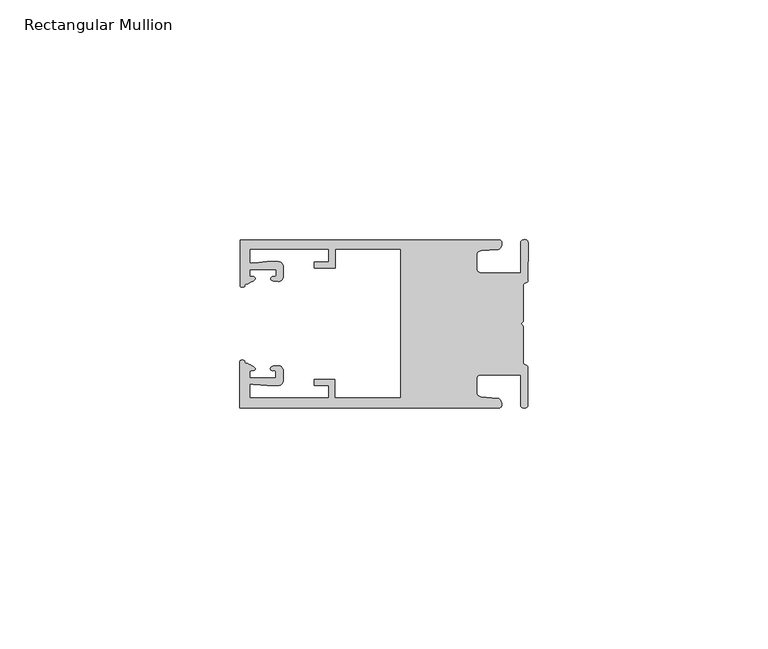
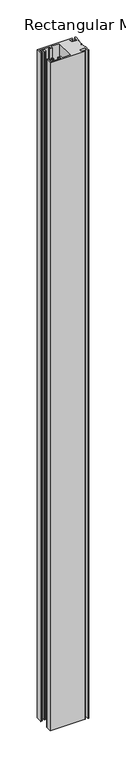
"""IFC4 building model written with IfcOpenShell, lengths in millimetres: member geometry, Rectangular Mullion."""

from ifc_helpers import new_model, si_unit, frame, origin, place, context, project, spatial, circle_curve, source, transform, mapped, element, save
from ifc_brep_helpers import plane_surface, cylinder_surface, extruded_surface, spline_curve, advanced_brep


def rectangular_mullion_52ad376c(model_context):
    return source(origin(), model_context, "Body", "AdvancedBrep", [
        advanced_brep(
        [(-60.0749377, 17.5111528, 0.0), (-60.0749377, 8.0140787, 0.0), (-59.3252567, 7.7187455, 0.0), (-58.4967974, 8.36785, 0.0), (-58.0726619, 10.1173923, 0.0), (-58.0713101, 11.3673916, 0.0), (-52.5713133, 11.3614437, 0.0), (-52.5726651, 10.1114444, 0.0), (-53.1427626, 8.8955539, 0.0), (-52.0740172, 8.8609044, 0.0), (-51.0729364, 9.8598224, 0.0), (-51.0706653, 11.9598211, 0.0), (-52.0700692, 12.9609024, 0.0), (-54.3905105, 12.9622843, 0.0), (-57.1599646, 12.7230061, 0.0), (-58.0696339, 12.9173907, 0.0), (-58.066768, 15.5673891, 0.0), (-41.5667584, 15.5673891, 0.0), (-41.5695894, 12.9495468, 0.0), (-44.5695877, 12.9527912, 0.0), (-44.5709936, 11.6527919, 0.0), (-40.2709961, 11.6481417, 0.0), (-40.2667576, 15.5673891, 0.0), (-26.6002952, 15.5673891, 0.0), (-26.6002952, -15.4518424, 0.0), (-40.3003032, -15.4518424, 0.0), (-40.2960856, -11.5518447, 0.0), (-44.5960831, -11.5471945, 0.0), (-44.597489, -12.8471938, 0.0), (-41.5974907, -12.8504381, 0.0), (-41.6003025, -15.4504366, 0.0), (-58.1002928, -15.4325927, 0.0), (-58.097427, -12.7825943, 0.0), (-57.1873395, -12.5901776, 0.0), (-54.4184094, -12.8354453, 0.0), (-52.0979705, -12.8390822, 0.0), (-51.0964037, -11.8401649, 0.0), (-51.0941327, -9.7401662, 0.0), (-52.0930507, -8.7390853, 0.0), (-53.1618685, -8.7714231, 0.0), (-52.5944022, -9.9885439, 0.0), (-52.595754, -11.2385431, 0.0), (-58.0957508, -11.2325952, 0.0), (-58.094399, -9.9825959, 0.0), (-58.5147494, -8.2321403, 0.0), (-59.3418028, -7.5812455, 0.0), (-60.0921208, -7.8749565, 0.0), (-60.0921208, -17.4888267, 0.0), (-6.1024861, -17.4888267, 0.0), (-6.5218639, -15.488372, 0.0), (-9.8784944, -15.2205466, 0.0), (-10.7989567, -14.2226333, 0.0), (-10.7961029, -11.5837474, 0.0), (-9.8734844, -10.5878272, 0.0), (-1.5950266, -10.5934991, 0.0), (-1.601948, -16.9936935, 0.0), (-0.1017194, -16.7830581, 0.0), (-0.0933208, -9.0170082, 0.0), (-1.0923837, -8.1499018, 0.0), (-1.0842165, -0.5977972, 0.0), (-1.0829111, 0.6093089, 0.0), (-1.0747439, 8.1614135, 0.0), (-0.0738079, 9.026357, 0.0), (-0.0654093, 16.7924069, 0.0), (-1.5651789, 17.0062866, 0.0), (-1.5651789, 10.6183257, 0.0), (-9.8505511, 10.6183257, 0.0), (-10.7710133, 11.6162391, 0.0), (-10.7681595, 14.255125, 0.0), (-9.845541, 15.2510452, 0.0), (-6.4883391, 15.5116099, 0.0), (-6.0646356, 17.5111528, 0.0), (-60.0749377, 17.5111528, -1098.2039999), (-6.0646356, 17.5111528, -1098.2039999), (-6.4883391, 15.5116099, -1098.2039999), (-9.845541, 15.2510452, -1098.2039999), (-10.7681595, 14.255125, -1098.2039999), (-10.7710133, 11.6162391, -1098.2039999), (-9.8505511, 10.6183257, -1098.2039999), (-1.5651789, 10.6183257, -1098.2039999), (-1.5651789, 17.0062866, -1098.2039999), (-0.0654093, 16.7924069, -1098.2039999), (-0.0738079, 9.026357, -1098.2039999), (-1.0747439, 8.1614135, -1098.2039999), (-1.0829111, 0.6093089, -1098.2039999), (-1.0842165, -0.5977972, -1098.2039999), (-1.0923837, -8.1499018, -1098.2039999), (-0.0933208, -9.0170082, -1098.2039999), (-0.1017194, -16.7830581, -1098.2039999), (-1.601948, -16.9936935, -1098.2039999), (-1.5950266, -10.5934991, -1098.2039999), (-9.8734844, -10.5878272, -1098.2039999), (-10.7961029, -11.5837474, -1098.2039999), (-10.7989567, -14.2226333, -1098.2039999), (-9.8784944, -15.2205466, -1098.2039999), (-6.5218639, -15.488372, -1098.2039999), (-6.1024861, -17.4888267, -1098.2039999), (-60.0921208, -17.4888267, -1098.2039999), (-60.0921208, -7.8749565, -1098.2039999), (-59.3418028, -7.5812455, -1098.2039999), (-58.5147494, -8.2321403, -1098.2039999), (-58.094399, -9.9825959, -1098.2039999), (-58.0957508, -11.2325952, -1098.2039999), (-52.595754, -11.2385431, -1098.2039999), (-52.5944022, -9.9885439, -1098.2039999), (-53.1618685, -8.7714231, -1098.2039999), (-52.0930507, -8.7390853, -1098.2039999), (-51.0941327, -9.7401662, -1098.2039999), (-51.0964037, -11.8401649, -1098.2039999), (-52.0979705, -12.8390823, -1098.2039999), (-54.4184094, -12.8354453, -1098.2039999), (-57.1873395, -12.5901776, -1098.2039999), (-58.097427, -12.7825943, -1098.2039999), (-58.1002928, -15.4325927, -1098.2039999), (-41.6003025, -15.4504366, -1098.2039999), (-41.5974907, -12.8504381, -1098.2039999), (-44.597489, -12.8471938, -1098.2039999), (-44.5960831, -11.5471945, -1098.2039999), (-40.2960856, -11.5518447, -1098.2039999), (-40.3003032, -15.4518424, -1098.2039999), (-26.6002952, -15.4518424, -1098.2039999), (-26.6002952, 15.5673891, -1098.2039999), (-40.2667576, 15.5673891, -1098.2039999), (-40.2709961, 11.6481417, -1098.2039999), (-44.5709936, 11.6527919, -1098.2039999), (-44.5695877, 12.9527912, -1098.2039999), (-41.5695894, 12.9495468, -1098.2039999), (-41.5667584, 15.5673891, -1098.2039999), (-58.066768, 15.5673891, -1098.2039999), (-58.0696339, 12.9173907, -1098.2039999), (-57.1599646, 12.7230061, -1098.2039999), (-54.3905105, 12.9622843, -1098.2039999), (-52.0700692, 12.9609023, -1098.2039999), (-51.0706653, 11.9598211, -1098.2039999), (-51.0729364, 9.8598224, -1098.2039999), (-52.0740172, 8.8609044, -1098.2039999), (-53.1427626, 8.8955539, -1098.2039999), (-52.5726651, 10.1114444, -1098.2039999), (-52.5713133, 11.3614437, -1098.2039999), (-58.0713101, 11.3673916, -1098.2039999), (-58.0726619, 10.1173923, -1098.2039999), (-58.4967974, 8.36785, -1098.2039999), (-59.3252567, 7.7187455, -1098.2039999), (-60.0749377, 8.0140787, -1098.2039999)],
        [
            (0, 1),
            (1, 2, spline_curve(3, [(-60.0749377, 8.0140787, 0.0), (-60.075233123, 7.740904774, 0.0), (-59.825339491, 7.642460332, 0.0), (-59.3252567, 7.7187455, 0.0)], [4, 4], [0.0, 0.0019169337574178654])),
            (2, 3, spline_curve(3, [(-59.3252567, 7.7187455, 0.0), (-59.094460914, 7.75918372, 0.0), (-59.054835463, 7.902257199, 0.0), (-59.05559987, 8.233305614, 0.0), (-59.138729113, 8.4134359, 0.0), (-58.4967974, 8.36785, 0.0)], [4, 2, 4], [0.0, 0.0010199524164107188, 0.0024874514725970356])),
            (3, 4, spline_curve(3, [(-58.4967974, 8.36785, 0.0), (-57.022393378, 9.053435667, 0.0), (-56.827266887, 9.364828726, 0.0), (-56.982213078, 9.742623404, 0.0), (-57.177375211, 9.855581791, 0.0), (-57.697928101, 9.887955071, 0.0), (-57.997449153, 9.835475348, 0.0), (-58.0726619, 10.1173923, 0.0)], [4, 2, 2, 4], [0.0, 0.003269869179570428, 0.005490050486237203, 0.0073545767114364426])),
            (4, 5),
            (5, 6),
            (6, 7),
            (7, 8, spline_curve(3, [(-52.5726651, 10.1114444, 0.0), (-52.667195519, 9.760172042, 0.0), (-52.937094388, 9.861877724, 0.0), (-53.356237032, 9.895631753, 0.0), (-53.491940439, 9.811038713, 0.0), (-53.761900775, 9.511438033, 0.0), (-53.892893546, 9.278787104, 0.0), (-53.1427626, 8.8955539, 0.0)], [4, 2, 2, 4], [0.0, 0.001593963049934732, 0.0033360256320283306, 0.005339140673503943])),
            (8, 9),
            (9, 10, circle_curve(frame((-52.0729358, 9.8609038, 0.0), z_axis=(0.0, 0.0, 1.0), x_axis=(-0.0010814451158600304, -0.9999994152380598, 0.0)), 1.0)),
            (10, 11),
            (11, 12, circle_curve(frame((-52.0706647, 11.9609026, 0.0), z_axis=(0.0, 0.0, 1.0), x_axis=(-0.0010814451158600304, -0.9999994152380598, 0.0)), 1.0)),
            (12, 13),
            (13, 14),
            (14, 15, spline_curve(3, [(-57.1599646, 12.7230061, 0.0), (-57.631533854, 12.682262968, 0.0), (-58.018602985, 12.477800124, 0.0), (-58.0696339, 12.9173907, 0.0)], [4, 4], [0.0, 0.0014803385355886016])),
            (15, 16),
            (16, 17),
            (17, 18),
            (18, 19),
            (19, 20),
            (20, 21),
            (21, 22),
            (22, 23),
            (23, 24),
            (24, 25),
            (25, 26),
            (26, 27),
            (27, 28),
            (28, 29),
            (29, 30),
            (30, 31),
            (31, 32),
            (32, 33, spline_curve(3, [(-58.097427, -12.7825943, 0.0), (-58.045445419, -12.343115126, 0.0), (-57.658819528, -12.548414611, 0.0), (-57.1873395, -12.5901776, 0.0)], [4, 4], [0.0, 0.0014803385355886016])),
            (33, 34),
            (34, 35),
            (35, 36, circle_curve(frame((-52.0964031, -11.8390835, 0.0), z_axis=(0.0, 0.0, 1.0), x_axis=(0.0010814451158600304, 0.9999994152380598, 0.0)), 1.0)),
            (36, 37),
            (37, 38, circle_curve(frame((-52.0941321, -9.7390847, 0.0), z_axis=(0.0, 0.0, 1.0), x_axis=(0.0010814451158600304, 0.9999994152380598, 0.0)), 1.0)),
            (38, 39),
            (39, 40, spline_curve(3, [(-53.1618685, -8.7714231, 0.0), (-53.912826582, -9.153032958, 0.0), (-53.782337352, -9.385966711, 0.0), (-53.51302565, -9.686150585, 0.0), (-53.377505444, -9.771037009, 0.0), (-52.958290774, -9.738189618, 0.0), (-52.688172635, -9.637067904, 0.0), (-52.5944022, -9.9885439, 0.0)], [4, 2, 2, 4], [0.0, 0.002003115041475612, 0.0037451776235692107, 0.005339140673503943])),
            (40, 41),
            (41, 42),
            (42, 43),
            (43, 44, spline_curve(3, [(-58.094399, -9.9825959, 0.0), (-58.018576674, -9.700842284, 0.0), (-57.719169706, -9.753969703, 0.0), (-57.198548014, -9.722722397, 0.0), (-57.003142178, -9.61018632, 0.0), (-56.847379222, -9.232727657, 0.0), (-57.041831673, -8.920913336, 0.0), (-58.5147494, -8.2321403, 0.0)], [4, 2, 2, 4], [0.0, 0.0018645262251992395, 0.004084707531866015, 0.0073545767114364426])),
            (44, 45, spline_curve(3, [(-58.5147494, -8.2321403, 0.0), (-59.156778208, -8.276337666, 0.0), (-59.073259494, -8.096387681, 0.0), (-59.071779067, -7.765341694, 0.0), (-59.111095017, -7.622182811, 0.0), (-59.3418028, -7.5812455, 0.0)], [4, 2, 4], [0.0, 0.0014674990561863168, 0.0024874514725970356])),
            (45, 46, spline_curve(3, [(-59.3418028, -7.5812455, 0.0), (-59.841719425, -7.503878887, 0.0), (-60.091825377, -7.601782574, 0.0), (-60.0921208, -7.8749565, 0.0)], [4, 4], [0.0, 0.0019169337574178654])),
            (46, 47),
            (47, 48),
            (48, 49, spline_curve(3, [(-6.1024861, -17.4888267, 0.0), (-5.074532184, -17.418062188, 0.0), (-5.631140689, -15.411414367, 0.0), (-6.5218639, -15.488372, 0.0)], [4, 4], [0.0, 0.0043819361547461745])),
            (49, 50),
            (50, 51, spline_curve(3, [(-9.8784944, -15.2205466, 0.0), (-10.440691543, -15.150698463, 0.0), (-10.74751234, -14.818060727, 0.0), (-10.7989567, -14.2226333, 0.0)], [4, 4], [0.0, 0.0028645797420738927])),
            (51, 52),
            (52, 53, spline_curve(3, [(-10.7961029, -11.5837474, 0.0), (-10.743370817, -10.988432634, 0.0), (-10.435831301, -10.656459204, 0.0), (-9.8734844, -10.5878272, 0.0)], [4, 4], [0.0, 0.0028645797420738927])),
            (53, 54),
            (54, 55),
            (55, 56, spline_curve(3, [(-1.601948, -16.9936935, 0.0), (-1.655676874, -17.600261454, 0.0), (-0.043737403, -17.912795581, 0.0), (-0.1017194, -16.7830581, 0.0)], [4, 4], [0.0, 0.0036987374396357936])),
            (56, 57),
            (57, 58, spline_curve(3, [(-0.0933208, -9.0170082, 0.0), (-0.018818183, -8.695886697, 0.0), (-1.193434327, -8.459763043, 0.0), (-1.0923837, -8.1499018, 0.0)], [4, 4], [0.0, 0.002027216749630121])),
            (58, 59),
            (59, 60, spline_curve(3, [(-1.0842165, -0.5977972, 0.0), (-1.013223198, -0.445980437, 0.0), (-1.487945123, -0.206736825, 0.0), (-1.487409651, 0.231097965, 0.0), (-0.999110985, 0.429090391, 0.0), (-1.0829111, 0.6093089, 0.0)], [4, 2, 4], [0.0, 0.00249866671847065, 0.005031402919736269])),
            (60, 61),
            (61, 62, spline_curve(3, [(-1.0747439, 8.1614135, 0.0), (-1.175124095, 8.47149258, 0.0), (-7e-09, 8.705075107, 0.0), (-0.0738079, 9.026357, 0.0)], [4, 4], [0.0, 0.002027216749630121])),
            (62, 63),
            (63, 64, spline_curve(3, [(-0.0654093, 16.7924069, 0.0), (-0.004983942, 17.92201633, 0.0), (-1.617595709, 17.612969344, 0.0), (-1.5651789, 17.0062866, 0.0)], [4, 4], [0.0, 0.0036987374396357936])),
            (64, 65),
            (65, 66),
            (66, 67, spline_curve(3, [(-9.8505511, 10.6183257, 0.0), (-10.412748243, 10.688173837, 0.0), (-10.71956894, 11.020811673, 0.0), (-10.7710133, 11.6162391, 0.0)], [4, 4], [0.0, 0.0028645797420738927])),
            (67, 68),
            (68, 69, spline_curve(3, [(-10.7681595, 14.255125, 0.0), (-10.715427417, 14.850439766, 0.0), (-10.407887901, 15.182413196, 0.0), (-9.845541, 15.2510452, 0.0)], [4, 4], [0.0, 0.0028645797420738927])),
            (69, 70),
            (70, 71, spline_curve(3, [(-6.4883391, 15.5116099, 0.0), (-5.597784423, 15.432725911, 0.0), (-5.036837144, 17.438165103, 0.0), (-6.0646356, 17.5111528, 0.0)], [4, 4], [0.0, 0.0043819361547461745])),
            (71, 0),
            (72, 73),
            (73, 74, spline_curve(3, [(-6.0646356, 17.5111528, -1098.2039999), (-5.036837144, 17.438165103, -1098.2039999), (-5.597784423, 15.432725911, -1098.2039999), (-6.4883391, 15.5116099, -1098.2039999)], [4, 4], [0.0, 0.0043819361547461745])),
            (74, 75),
            (75, 76, spline_curve(3, [(-9.845541, 15.2510452, -1098.2039999), (-10.407887901, 15.182413196, -1098.2039999), (-10.715427417, 14.850439766, -1098.2039999), (-10.7681595, 14.255125, -1098.2039999)], [4, 4], [0.0, 0.0028645797420738927])),
            (76, 77),
            (77, 78, spline_curve(3, [(-10.7710133, 11.6162391, -1098.2039999), (-10.71956894, 11.020811673, -1098.2039999), (-10.412748243, 10.688173837, -1098.2039999), (-9.8505511, 10.6183257, -1098.2039999)], [4, 4], [0.0, 0.0028645797420738927])),
            (78, 79),
            (79, 80),
            (80, 81, spline_curve(3, [(-1.5651789, 17.0062866, -1098.2039999), (-1.617595709, 17.612969344, -1098.2039999), (-0.004983942, 17.92201633, -1098.2039999), (-0.0654093, 16.7924069, -1098.2039999)], [4, 4], [0.0, 0.0036987374396357936])),
            (81, 82),
            (82, 83, spline_curve(3, [(-0.0738079, 9.026357, -1098.2039999), (-7e-09, 8.705075107, -1098.2039999), (-1.175124095, 8.47149258, -1098.2039999), (-1.0747439, 8.1614135, -1098.2039999)], [4, 4], [0.0, 0.002027216749630121])),
            (83, 84),
            (84, 85, spline_curve(3, [(-1.0829111, 0.6093089, -1098.2039999), (-0.999110985, 0.429090391, -1098.2039999), (-1.487409651, 0.231097965, -1098.2039999), (-1.487945123, -0.206736825, -1098.2039999), (-1.013223198, -0.445980437, -1098.2039999), (-1.0842165, -0.5977972, -1098.2039999)], [4, 2, 4], [0.0, 0.002532736201265619, 0.005031402919736269])),
            (85, 86),
            (86, 87, spline_curve(3, [(-1.0923837, -8.1499018, -1098.2039999), (-1.193434327, -8.459763043, -1098.2039999), (-0.018818183, -8.695886697, -1098.2039999), (-0.0933208, -9.0170082, -1098.2039999)], [4, 4], [0.0, 0.002027216749630121])),
            (87, 88),
            (88, 89, spline_curve(3, [(-0.1017194, -16.7830581, -1098.2039999), (-0.043737403, -17.912795581, -1098.2039999), (-1.655676874, -17.600261454, -1098.2039999), (-1.601948, -16.9936935, -1098.2039999)], [4, 4], [0.0, 0.0036987374396357936])),
            (89, 90),
            (90, 91),
            (91, 92, spline_curve(3, [(-9.8734844, -10.5878272, -1098.2039999), (-10.435831301, -10.656459204, -1098.2039999), (-10.743370817, -10.988432634, -1098.2039999), (-10.7961029, -11.5837474, -1098.2039999)], [4, 4], [0.0, 0.0028645797420738927])),
            (92, 93),
            (93, 94, spline_curve(3, [(-10.7989567, -14.2226333, -1098.2039999), (-10.74751234, -14.818060727, -1098.2039999), (-10.440691543, -15.150698463, -1098.2039999), (-9.8784944, -15.2205466, -1098.2039999)], [4, 4], [0.0, 0.0028645797420738927])),
            (94, 95),
            (95, 96, spline_curve(3, [(-6.5218639, -15.488372, -1098.2039999), (-5.631140689, -15.411414367, -1098.2039999), (-5.074532184, -17.418062188, -1098.2039999), (-6.1024861, -17.4888267, -1098.2039999)], [4, 4], [0.0, 0.0043819361547461745])),
            (96, 97),
            (97, 98),
            (98, 99, spline_curve(3, [(-60.0921208, -7.8749565, -1098.2039999), (-60.091825377, -7.601782574, -1098.2039999), (-59.841719425, -7.503878887, -1098.2039999), (-59.3418028, -7.5812455, -1098.2039999)], [4, 4], [0.0, 0.0019169337574178654])),
            (99, 100, spline_curve(3, [(-59.3418028, -7.5812455, -1098.2039999), (-59.111095017, -7.622182811, -1098.2039999), (-59.071779067, -7.765341694, -1098.2039999), (-59.073259494, -8.096387681, -1098.2039999), (-59.156778208, -8.276337666, -1098.2039999), (-58.5147494, -8.2321403, -1098.2039999)], [4, 2, 4], [0.0, 0.0010199524164107188, 0.0024874514725970356])),
            (100, 101, spline_curve(3, [(-58.5147494, -8.2321403, -1098.2039999), (-57.041831673, -8.920913336, -1098.2039999), (-56.847379222, -9.232727657, -1098.2039999), (-57.003142178, -9.61018632, -1098.2039999), (-57.198548014, -9.722722397, -1098.2039999), (-57.719169706, -9.753969703, -1098.2039999), (-58.018576674, -9.700842284, -1098.2039999), (-58.094399, -9.9825959, -1098.2039999)], [4, 2, 2, 4], [0.0, 0.003269869179570428, 0.005490050486237203, 0.0073545767114364426])),
            (101, 102),
            (102, 103),
            (103, 104),
            (104, 105, spline_curve(3, [(-52.5944022, -9.9885439, -1098.2039999), (-52.688172635, -9.637067904, -1098.2039999), (-52.958290774, -9.738189618, -1098.2039999), (-53.377505444, -9.771037009, -1098.2039999), (-53.51302565, -9.686150585, -1098.2039999), (-53.782337352, -9.385966711, -1098.2039999), (-53.912826582, -9.153032958, -1098.2039999), (-53.1618685, -8.7714231, -1098.2039999)], [4, 2, 2, 4], [0.0, 0.001593963049934732, 0.0033360256320283306, 0.005339140673503943])),
            (105, 106),
            (106, 107, circle_curve(frame((-52.0941321, -9.7390847, -1098.2039999), z_axis=(0.0, 0.0, -1.0), x_axis=(0.0010814451158600304, 0.9999994152380598, 0.0)), 1.0)),
            (107, 108),
            (108, 109, circle_curve(frame((-52.0964031, -11.8390835, -1098.2039999), z_axis=(0.0, 0.0, -1.0), x_axis=(0.0010814451158600304, 0.9999994152380598, 0.0)), 1.0)),
            (109, 110),
            (110, 111),
            (111, 112, spline_curve(3, [(-57.1873395, -12.5901776, -1098.2039999), (-57.658819528, -12.548414611, -1098.2039999), (-58.045445419, -12.343115126, -1098.2039999), (-58.097427, -12.7825943, -1098.2039999)], [4, 4], [0.0, 0.0014803385355886016])),
            (112, 113),
            (113, 114),
            (114, 115),
            (115, 116),
            (116, 117),
            (117, 118),
            (118, 119),
            (119, 120),
            (120, 121),
            (121, 122),
            (122, 123),
            (123, 124),
            (124, 125),
            (125, 126),
            (126, 127),
            (127, 128),
            (128, 129),
            (129, 130, spline_curve(3, [(-58.0696339, 12.9173907, -1098.2039999), (-58.018602985, 12.477800124, -1098.2039999), (-57.631533854, 12.682262968, -1098.2039999), (-57.1599646, 12.7230061, -1098.2039999)], [4, 4], [0.0, 0.0014803385355886016])),
            (130, 131),
            (131, 132),
            (132, 133, circle_curve(frame((-52.0706647, 11.9609026, -1098.2039999), z_axis=(0.0, 0.0, -1.0), x_axis=(-0.0010814451158600304, -0.9999994152380598, 0.0)), 1.0)),
            (133, 134),
            (134, 135, circle_curve(frame((-52.0729358, 9.8609038, -1098.2039999), z_axis=(0.0, 0.0, -1.0), x_axis=(-0.0010814451158600304, -0.9999994152380598, 0.0)), 1.0)),
            (135, 136),
            (136, 137, spline_curve(3, [(-53.1427626, 8.8955539, -1098.2039999), (-53.892893546, 9.278787104, -1098.2039999), (-53.761900775, 9.511438033, -1098.2039999), (-53.491940439, 9.811038713, -1098.2039999), (-53.356237032, 9.895631753, -1098.2039999), (-52.937094388, 9.861877724, -1098.2039999), (-52.667195519, 9.760172042, -1098.2039999), (-52.5726651, 10.1114444, -1098.2039999)], [4, 2, 2, 4], [0.0, 0.002003115041475612, 0.0037451776235692107, 0.005339140673503943])),
            (137, 138),
            (138, 139),
            (139, 140),
            (140, 141, spline_curve(3, [(-58.0726619, 10.1173923, -1098.2039999), (-57.997449153, 9.835475348, -1098.2039999), (-57.697928101, 9.887955071, -1098.2039999), (-57.177375211, 9.855581791, -1098.2039999), (-56.982213078, 9.742623404, -1098.2039999), (-56.827266887, 9.364828726, -1098.2039999), (-57.022393378, 9.053435667, -1098.2039999), (-58.4967974, 8.36785, -1098.2039999)], [4, 2, 2, 4], [0.0, 0.0018645262251992395, 0.004084707531866015, 0.0073545767114364426])),
            (141, 142, spline_curve(3, [(-58.4967974, 8.36785, -1098.2039999), (-59.138729113, 8.4134359, -1098.2039999), (-59.05559987, 8.233305614, -1098.2039999), (-59.054835463, 7.902257199, -1098.2039999), (-59.094460914, 7.75918372, -1098.2039999), (-59.3252567, 7.7187455, -1098.2039999)], [4, 2, 4], [0.0, 0.0014674990561863168, 0.0024874514725970356])),
            (142, 143, spline_curve(3, [(-59.3252567, 7.7187455, -1098.2039999), (-59.825339491, 7.642460332, -1098.2039999), (-60.075233123, 7.740904774, -1098.2039999), (-60.0749377, 8.0140787, -1098.2039999)], [4, 4], [0.0, 0.0019169337574178654])),
            (143, 72),
            (0, 72),
            (143, 1),
            (142, 2),
            (141, 3),
            (140, 4),
            (139, 5),
            (138, 6),
            (137, 7),
            (136, 8),
            (135, 9),
            (134, 10),
            (133, 11),
            (132, 12),
            (131, 13),
            (130, 14),
            (129, 15),
            (128, 16),
            (127, 17),
            (126, 18),
            (125, 19),
            (124, 20),
            (123, 21),
            (122, 22),
            (121, 23),
            (120, 24),
            (119, 25),
            (118, 26),
            (117, 27),
            (116, 28),
            (115, 29),
            (114, 30),
            (113, 31),
            (112, 32),
            (111, 33),
            (110, 34),
            (109, 35),
            (108, 36),
            (107, 37),
            (106, 38),
            (105, 39),
            (104, 40),
            (103, 41),
            (102, 42),
            (101, 43),
            (100, 44),
            (99, 45),
            (98, 46),
            (97, 47),
            (96, 48),
            (95, 49),
            (94, 50),
            (93, 51),
            (92, 52),
            (91, 53),
            (90, 54),
            (89, 55),
            (88, 56),
            (87, 57),
            (86, 58),
            (85, 59),
            (84, 60),
            (83, 61),
            (82, 62),
            (81, 63),
            (80, 64),
            (79, 65),
            (78, 66),
            (77, 67),
            (76, 68),
            (75, 69),
            (74, 70),
            (73, 71),
        ],
        [
            plane_surface(frame((0.0, -62.5853181, 0.0), z_axis=(0.0, 0.0, 1.0), x_axis=(-1.0, 0.0, 0.0))),
            plane_surface(frame((0.0, -62.5853181, -1098.2039999), z_axis=(0.0, 0.0, -1.0), x_axis=(-1.0, 0.0, 0.0))),
            plane_surface(frame((-60.0749377, 17.5111528, 0.0), z_axis=(-1.0, 0.0, 0.0), x_axis=(0.0, 0.0, -1.0))),
            extruded_surface(spline_curve(3, [(-60.0749377, 8.0140787, -1098.2039999), (-60.075233123, 7.740904774, -1098.2039999), (-59.825339491, 7.642460332, -1098.2039999), (-59.3252567, 7.7187455, -1098.2039999)], [4, 4], [0.0, 0.0019169337574178654]), (0.0, 0.0, 1098.2039999), 1098.2039999),
            extruded_surface(spline_curve(3, [(-59.3252567, 7.7187455, -1098.2039999), (-59.094460914, 7.75918372, -1098.2039999), (-59.054835463, 7.902257199, -1098.2039999), (-59.05559987, 8.233305614, -1098.2039999), (-59.138729113, 8.4134359, -1098.2039999), (-58.4967974, 8.36785, -1098.2039999)], [4, 2, 4], [0.0, 0.0010199524164107188, 0.0024874514725970356]), (0.0, 0.0, 1098.2039999), 1098.2039999),
            extruded_surface(spline_curve(3, [(-58.4967974, 8.36785, -1098.2039999), (-57.022393378, 9.053435667, -1098.2039999), (-56.827266887, 9.364828726, -1098.2039999), (-56.982213078, 9.742623404, -1098.2039999), (-57.177375211, 9.855581791, -1098.2039999), (-57.697928101, 9.887955071, -1098.2039999), (-57.997449153, 9.835475348, -1098.2039999), (-58.0726619, 10.1173923, -1098.2039999)], [4, 2, 2, 4], [0.0, 0.003269869179570428, 0.005490050486237203, 0.0073545767114364426]), (0.0, 0.0, 1098.2039999), 1098.2039999),
            plane_surface(frame((-58.0726619, 10.1173923, 0.0), z_axis=(0.9999994152380598, -0.0010814451158634145, 0.0), x_axis=(0.0, 0.0, -1.0))),
            plane_surface(frame((-58.0713101, 11.3673916, 0.0), z_axis=(-0.0010814451158616418, -0.9999994152380598, 0.0), x_axis=(0.0, 0.0, -1.0))),
            plane_surface(frame((-52.5713133, 11.3614437, 0.0), z_axis=(-0.9999994152380598, 0.0010814451158643293, 0.0), x_axis=(0.0, 0.0, -1.0))),
            extruded_surface(spline_curve(3, [(-52.5726651, 10.1114444, -1098.2039999), (-52.667195519, 9.760172042, -1098.2039999), (-52.937094388, 9.861877724, -1098.2039999), (-53.356237032, 9.895631753, -1098.2039999), (-53.491940439, 9.811038713, -1098.2039999), (-53.761900775, 9.511438033, -1098.2039999), (-53.892893546, 9.278787104, -1098.2039999), (-53.1427626, 8.8955539, -1098.2039999)], [4, 2, 2, 4], [0.0, 0.001593963049934732, 0.0033360256320283306, 0.005339140673503943]), (0.0, 0.0, 1098.2039999), 1098.2039999),
            plane_surface(frame((-53.1427626, 8.8955539, 0.0), z_axis=(-0.032403661401520414, -0.9994748634797054, 0.0), x_axis=(0.0, 0.0, -1.0))),
            cylinder_surface(frame((-52.0729358, 9.8609038, 0.0), z_axis=(0.0, 0.0, 1.0000000000000002), x_axis=(-0.0010814451158600304, -0.9999994152380598, 0.0)), 1.0),
            plane_surface(frame((-51.0729364, 9.8598224, 0.0), z_axis=(0.9999994152380598, -0.001081445115864059, 0.0), x_axis=(0.0, 0.0, -1.0))),
            cylinder_surface(frame((-52.0706647, 11.9609026, 0.0), z_axis=(0.0, 0.0, 1.0000000000000002), x_axis=(-0.0010814451158600304, -0.9999994152380598, 0.0)), 1.0),
            plane_surface(frame((-52.0700692, 12.9609023, 0.0), z_axis=(0.0005955716436318007, 0.999999822647193, 0.0), x_axis=(0.0, 0.0, -1.0))),
            plane_surface(frame((-54.3905105, 12.9622843, 0.0), z_axis=(-0.08607836189159865, 0.9962883697073147, 0.0), x_axis=(0.0, 0.0, -1.0))),
            extruded_surface(spline_curve(3, [(-57.1599646, 12.7230061, -1098.2039999), (-57.631533854, 12.682262968, -1098.2039999), (-58.018602985, 12.477800124, -1098.2039999), (-58.0696339, 12.9173907, -1098.2039999)], [4, 4], [0.0, 0.0014803385355886016]), (0.0, 0.0, 1098.2039999), 1098.2039999),
            plane_surface(frame((-58.0696339, 12.9173907, 0.0), z_axis=(0.9999994152380598, -0.0010814451158629996, 0.0), x_axis=(0.0, 0.0, -1.0))),
            plane_surface(frame((-58.066768, 15.5673891, 0.0), z_axis=(0.0, -1.0, 0.0), x_axis=(0.0, 0.0, -1.0))),
            plane_surface(frame((-41.5667584, 15.5673891, 0.0), z_axis=(-0.9999994152380598, 0.0010814451158636304, 0.0), x_axis=(0.0, 0.0, -1.0))),
            plane_surface(frame((-41.5695894, 12.9495468, 0.0), z_axis=(0.0010814451158615687, 0.9999994152380598, 0.0), x_axis=(0.0, 0.0, -1.0))),
            plane_surface(frame((-44.5695877, 12.9527912, 0.0), z_axis=(-0.9999994152380598, 0.0010814451158626742, 0.0), x_axis=(0.0, 0.0, -1.0))),
            plane_surface(frame((-44.5709936, 11.6527919, 0.0), z_axis=(-0.001081445115861604, -0.9999994152380598, 0.0), x_axis=(0.0, 0.0, -1.0))),
            plane_surface(frame((-40.2709961, 11.6481417, 0.0), z_axis=(0.9999994152380598, -0.001081445115863507, 0.0), x_axis=(0.0, 0.0, -1.0))),
            plane_surface(frame((-40.2667576, 15.5673891, 0.0), z_axis=(0.0, -1.0, 0.0), x_axis=(0.0, 0.0, -1.0))),
            plane_surface(frame((-26.6002952, 15.5673891, 0.0), z_axis=(-1.0, 0.0, 0.0), x_axis=(0.0, 0.0, -1.0))),
            plane_surface(frame((-26.6002952, -15.4518424, 0.0), z_axis=(0.0, 1.0, 0.0), x_axis=(0.0, 0.0, -1.0))),
            plane_surface(frame((-40.3003032, -15.4518424, 0.0), z_axis=(0.9999994152380598, -0.0010814451158565538, 0.0), x_axis=(0.0, 0.0, -1.0))),
            plane_surface(frame((-40.2960856, -11.5518447, 0.0), z_axis=(0.0010814451158584568, 0.9999994152380598, 0.0), x_axis=(0.0, 0.0, -1.0))),
            plane_surface(frame((-44.5960831, -11.5471945, 0.0), z_axis=(-0.9999994152380598, 0.0010814451158573867, 0.0), x_axis=(0.0, 0.0, -1.0))),
            plane_surface(frame((-44.597489, -12.8471938, 0.0), z_axis=(-0.0010814451158584922, -0.9999994152380598, 0.0), x_axis=(0.0, 0.0, -1.0))),
            plane_surface(frame((-41.5974907, -12.8504381, 0.0), z_axis=(-0.9999994152380598, 0.0010814451158564305, 0.0), x_axis=(0.0, 0.0, -1.0))),
            plane_surface(frame((-41.6003025, -15.4504366, 0.0), z_axis=(0.0010814451158583872, 0.9999994152380598, 0.0), x_axis=(0.0, 0.0, -1.0))),
            plane_surface(frame((-58.1002928, -15.4325927, 0.0), z_axis=(0.9999994152380598, -0.0010814451158570612, 0.0), x_axis=(0.0, 0.0, -1.0))),
            extruded_surface(spline_curve(3, [(-58.097427, -12.7825943, -1098.2039999), (-58.045445419, -12.343115126, -1098.2039999), (-57.658819528, -12.548414611, -1098.2039999), (-57.1873395, -12.5901776, -1098.2039999)], [4, 4], [0.0, 0.0014803385355886016]), (0.0, 0.0, 1098.2039999), 1098.2039999),
            plane_surface(frame((-57.1873395, -12.5901776, 0.0), z_axis=(-0.0882330216729926, -0.9960998614026876, 0.0), x_axis=(0.0, 0.0, -1.0))),
            plane_surface(frame((-54.4184094, -12.8354453, 0.0), z_axis=(-0.0015673183327880543, -0.9999987717558677, 0.0), x_axis=(0.0, 0.0, -1.0))),
            cylinder_surface(frame((-52.0964031, -11.8390835, 0.0), z_axis=(0.0, 0.0, 1.0000000000000002), x_axis=(0.0010814451158600304, 0.9999994152380598, 0.0)), 1.0),
            plane_surface(frame((-51.0964037, -11.8401649, 0.0), z_axis=(0.9999994152380598, -0.001081445115856002, 0.0), x_axis=(0.0, 0.0, -1.0))),
            cylinder_surface(frame((-52.0941321, -9.7390847, 0.0), z_axis=(0.0, 0.0, 1.0000000000000002), x_axis=(0.0010814451158600304, 0.9999994152380598, 0.0)), 1.0),
            plane_surface(frame((-52.0930507, -8.7390853, 0.0), z_axis=(-0.030241832452872642, 0.9995426111826812, 0.0), x_axis=(0.0, 0.0, -1.0))),
            extruded_surface(spline_curve(3, [(-53.1618685, -8.7714231, -1098.2039999), (-53.912826582, -9.153032958, -1098.2039999), (-53.782337352, -9.385966711, -1098.2039999), (-53.51302565, -9.686150585, -1098.2039999), (-53.377505444, -9.771037009, -1098.2039999), (-52.958290774, -9.738189618, -1098.2039999), (-52.688172635, -9.637067904, -1098.2039999), (-52.5944022, -9.9885439, -1098.2039999)], [4, 2, 2, 4], [0.0, 0.002003115041475612, 0.0037451776235692107, 0.005339140673503943]), (0.0, 0.0, 1098.2039999), 1098.2039999),
            plane_surface(frame((-52.5944022, -9.9885439, 0.0), z_axis=(-0.9999994152380598, 0.0010814451158557316, 0.0), x_axis=(0.0, 0.0, -1.0))),
            plane_surface(frame((-52.595754, -11.2385431, 0.0), z_axis=(0.001081445115858419, 0.9999994152380598, 0.0), x_axis=(0.0, 0.0, -1.0))),
            plane_surface(frame((-58.0957508, -11.2325952, 0.0), z_axis=(0.9999994152380598, -0.0010814451158566464, 0.0), x_axis=(0.0, 0.0, -1.0))),
            extruded_surface(spline_curve(3, [(-58.094399, -9.9825959, -1098.2039999), (-58.018576674, -9.700842284, -1098.2039999), (-57.719169706, -9.753969703, -1098.2039999), (-57.198548014, -9.722722397, -1098.2039999), (-57.003142178, -9.61018632, -1098.2039999), (-56.847379222, -9.232727657, -1098.2039999), (-57.041831673, -8.920913336, -1098.2039999), (-58.5147494, -8.2321403, -1098.2039999)], [4, 2, 2, 4], [0.0, 0.0018645262251992395, 0.004084707531866015, 0.0073545767114364426]), (0.0, 0.0, 1098.2039999), 1098.2039999),
            extruded_surface(spline_curve(3, [(-58.5147494, -8.2321403, -1098.2039999), (-59.156778208, -8.276337666, -1098.2039999), (-59.073259494, -8.096387681, -1098.2039999), (-59.071779067, -7.765341694, -1098.2039999), (-59.111095017, -7.622182811, -1098.2039999), (-59.3418028, -7.5812455, -1098.2039999)], [4, 2, 4], [0.0, 0.0014674990561863168, 0.0024874514725970356]), (0.0, 0.0, 1098.2039999), 1098.2039999),
            extruded_surface(spline_curve(3, [(-59.3418028, -7.5812455, -1098.2039999), (-59.841719425, -7.503878887, -1098.2039999), (-60.091825377, -7.601782574, -1098.2039999), (-60.0921208, -7.8749565, -1098.2039999)], [4, 4], [0.0, 0.0019169337574178654]), (0.0, 0.0, 1098.2039999), 1098.2039999),
            plane_surface(frame((-60.0921208, -7.8749565, 0.0), z_axis=(-1.0, 0.0, 0.0), x_axis=(0.0, 0.0, -1.0))),
            plane_surface(frame((-60.0921208, -17.4888267, 0.0), z_axis=(0.0, -1.0, 0.0), x_axis=(0.0, 0.0, -1.0))),
            extruded_surface(spline_curve(3, [(-6.1024861, -17.4888267, -1098.2039999), (-5.074532184, -17.418062188, -1098.2039999), (-5.631140689, -15.411414367, -1098.2039999), (-6.5218639, -15.488372, -1098.2039999)], [4, 4], [0.0, 0.0043819361547461745]), (0.0, 0.0, 1098.2039999), 1098.2039999),
            plane_surface(frame((-6.5218639, -15.488372, 0.0), z_axis=(0.07953716124904908, 0.9968319015663789, 0.0), x_axis=(0.0, 0.0, -1.0))),
            extruded_surface(spline_curve(3, [(-9.8784944, -15.2205466, -1098.2039999), (-10.440691543, -15.150698463, -1098.2039999), (-10.74751234, -14.818060727, -1098.2039999), (-10.7989567, -14.2226333, -1098.2039999)], [4, 4], [0.0, 0.0028645797420738927]), (0.0, 0.0, 1098.2039999), 1098.2039999),
            plane_surface(frame((-10.7989567, -14.2226333, 0.0), z_axis=(0.9999994152380598, -0.0010814451158568247, 0.0), x_axis=(0.0, 0.0, -1.0))),
            extruded_surface(spline_curve(3, [(-10.7961029, -11.5837474, -1098.2039999), (-10.743370817, -10.988432634, -1098.2039999), (-10.435831301, -10.656459204, -1098.2039999), (-9.8734844, -10.5878272, -1098.2039999)], [4, 4], [0.0, 0.0028645797420738927]), (0.0, 0.0, 1098.2039999), 1098.2039999),
            plane_surface(frame((-9.8734844, -10.5878272, 0.0), z_axis=(-0.0006851371995361226, -0.9999997652934814, 0.0), x_axis=(0.0, 0.0, -1.0))),
            plane_surface(frame((-1.5950266, -10.5934991, 0.0), z_axis=(-0.9999994152380598, 0.0010814451158568644, 0.0), x_axis=(0.0, 0.0, -1.0))),
            extruded_surface(spline_curve(3, [(-1.601948, -16.9936935, -1098.2039999), (-1.655676874, -17.600261454, -1098.2039999), (-0.043737403, -17.912795581, -1098.2039999), (-0.1017194, -16.7830581, -1098.2039999)], [4, 4], [0.0, 0.0036987374396357936]), (0.0, 0.0, 1098.2039999), 1098.2039999),
            plane_surface(frame((-0.1017194, -16.7830581, 0.0), z_axis=(0.9999994152380598, -0.001081445115856699, 0.0), x_axis=(0.0, 0.0, -1.0))),
            extruded_surface(spline_curve(3, [(-0.0933208, -9.0170082, -1098.2039999), (-0.018818183, -8.695886697, -1098.2039999), (-1.193434327, -8.459763043, -1098.2039999), (-1.0923837, -8.1499018, -1098.2039999)], [4, 4], [0.0, 0.002027216749630121]), (0.0, 0.0, 1098.2039999), 1098.2039999),
            plane_surface(frame((-1.0923837, -8.1499018, 0.0), z_axis=(0.9999994152380598, -0.0010814451158566698, 0.0), x_axis=(0.0, 0.0, -1.0))),
            extruded_surface(spline_curve(3, [(-1.0842165, -0.5977972, -1098.2039999), (-1.013223198, -0.445980437, -1098.2039999), (-1.487945123, -0.206736825, -1098.2039999), (-1.487409651, 0.231097965, -1098.2039999), (-0.999110985, 0.429090391, -1098.2039999), (-1.0829111, 0.6093089, -1098.2039999)], [4, 2, 4], [0.0, 0.00249866671847065, 0.005031402919736269]), (0.0, 0.0, 1098.2039999), 1098.2039999),
            plane_surface(frame((-1.0829111, 0.6093089, 0.0), z_axis=(0.9999994152380598, -0.001081445115863391, 0.0), x_axis=(0.0, 0.0, -1.0))),
            extruded_surface(spline_curve(3, [(-1.0747439, 8.1614135, -1098.2039999), (-1.175124095, 8.47149258, -1098.2039999), (-7e-09, 8.705075107, -1098.2039999), (-0.0738079, 9.026357, -1098.2039999)], [4, 4], [0.0, 0.002027216749630121]), (0.0, 0.0, 1098.2039999), 1098.2039999),
            plane_surface(frame((-0.0738079, 9.026357, 0.0), z_axis=(0.9999994152380598, -0.001081445115863362, 0.0), x_axis=(0.0, 0.0, -1.0))),
            extruded_surface(spline_curve(3, [(-0.0654093, 16.7924069, -1098.2039999), (-0.004983942, 17.92201633, -1098.2039999), (-1.617595709, 17.612969344, -1098.2039999), (-1.5651789, 17.0062866, -1098.2039999)], [4, 4], [0.0, 0.0036987374396357936]), (0.0, 0.0, 1098.2039999), 1098.2039999),
            plane_surface(frame((-1.5651789, 17.0062866, 0.0), z_axis=(-1.0, 0.0, 0.0), x_axis=(0.0, 0.0, -1.0))),
            plane_surface(frame((-1.5651789, 10.6183257, 0.0), z_axis=(0.0, 1.0, 0.0), x_axis=(0.0, 0.0, -1.0))),
            extruded_surface(spline_curve(3, [(-9.8505511, 10.6183257, -1098.2039999), (-10.412748243, 10.688173837, -1098.2039999), (-10.71956894, 11.020811673, -1098.2039999), (-10.7710133, 11.6162391, -1098.2039999)], [4, 4], [0.0, 0.0028645797420738927]), (0.0, 0.0, 1098.2039999), 1098.2039999),
            plane_surface(frame((-10.7710133, 11.6162391, 0.0), z_axis=(0.9999994152380598, -0.0010814451158632362, 0.0), x_axis=(0.0, 0.0, -1.0))),
            extruded_surface(spline_curve(3, [(-10.7681595, 14.255125, -1098.2039999), (-10.715427417, 14.850439766, -1098.2039999), (-10.407887901, 15.182413196, -1098.2039999), (-9.845541, 15.2510452, -1098.2039999)], [4, 4], [0.0, 0.0028645797420738927]), (0.0, 0.0, 1098.2039999), 1098.2039999),
            plane_surface(frame((-9.845541, 15.2510452, 0.0), z_axis=(0.07738093848608862, -0.9970015999781607, 0.0), x_axis=(0.0, 0.0, -1.0))),
            extruded_surface(spline_curve(3, [(-6.4883391, 15.5116099, -1098.2039999), (-5.597784423, 15.432725911, -1098.2039999), (-5.036837144, 17.438165103, -1098.2039999), (-6.0646356, 17.5111528, -1098.2039999)], [4, 4], [0.0, 0.0043819361547461745]), (0.0, 0.0, 1098.2039999), 1098.2039999),
            plane_surface(frame((-6.0646356, 17.5111528, 0.0), z_axis=(0.0, 1.0, 0.0), x_axis=(0.0, 0.0, -1.0))),
        ],
        [
            (0, [[1, 2, 3, 4, 5, 6, 7, 8, 9, 10, 11, 12, 13, 14, 15, 16, 17, 18, 19, 20, 21, 22, 23, 24, 25, 26, 27, 28, 29, 30, 31, 32, 33, 34, 35, 36, 37, 38, 39, 40, 41, 42, 43, 44, 45, 46, 47, 48, 49, 50, 51, 52, 53, 54, 55, 56, 57, 58, 59, 60, 61, 62, 63, 64, 65, 66, 67, 68, 69, 70, 71, 72]]),
            (1, [[73, 74, 75, 76, 77, 78, 79, 80, 81, 82, 83, 84, 85, 86, 87, 88, 89, 90, 91, 92, 93, 94, 95, 96, 97, 98, 99, 100, 101, 102, 103, 104, 105, 106, 107, 108, 109, 110, 111, 112, 113, 114, 115, 116, 117, 118, 119, 120, 121, 122, 123, 124, 125, 126, 127, 128, 129, 130, 131, 132, 133, 134, 135, 136, 137, 138, 139, 140, 141, 142, 143, 144]]),
            (2, [[-1, 145, -144, 146]]),
            (3, [[-2, -146, -143, 147]]),
            (4, [[-3, -147, -142, 148]]),
            (5, [[-4, -148, -141, 149]]),
            (6, [[-5, -149, -140, 150]]),
            (7, [[-6, -150, -139, 151]]),
            (8, [[-7, -151, -138, 152]]),
            (9, [[-8, -152, -137, 153]]),
            (10, [[-9, -153, -136, 154]]),
            (11, [[-10, -154, -135, 155]]),
            (12, [[-11, -155, -134, 156]]),
            (13, [[-12, -156, -133, 157]]),
            (14, [[-13, -157, -132, 158]]),
            (15, [[-14, -158, -131, 159]]),
            (16, [[-15, -159, -130, 160]]),
            (17, [[-16, -160, -129, 161]]),
            (18, [[-17, -161, -128, 162]]),
            (19, [[-18, -162, -127, 163]]),
            (20, [[-19, -163, -126, 164]]),
            (21, [[-20, -164, -125, 165]]),
            (22, [[-21, -165, -124, 166]]),
            (23, [[-22, -166, -123, 167]]),
            (24, [[-23, -167, -122, 168]]),
            (25, [[-24, -168, -121, 169]]),
            (26, [[-25, -169, -120, 170]]),
            (27, [[-26, -170, -119, 171]]),
            (28, [[-27, -171, -118, 172]]),
            (29, [[-28, -172, -117, 173]]),
            (30, [[-29, -173, -116, 174]]),
            (31, [[-30, -174, -115, 175]]),
            (32, [[-31, -175, -114, 176]]),
            (33, [[-32, -176, -113, 177]]),
            (34, [[-33, -177, -112, 178]]),
            (35, [[-34, -178, -111, 179]]),
            (36, [[-35, -179, -110, 180]]),
            (37, [[-36, -180, -109, 181]]),
            (38, [[-37, -181, -108, 182]]),
            (39, [[-38, -182, -107, 183]]),
            (40, [[-39, -183, -106, 184]]),
            (41, [[-40, -184, -105, 185]]),
            (42, [[-41, -185, -104, 186]]),
            (43, [[-42, -186, -103, 187]]),
            (44, [[-43, -187, -102, 188]]),
            (45, [[-44, -188, -101, 189]]),
            (46, [[-45, -189, -100, 190]]),
            (47, [[-46, -190, -99, 191]]),
            (48, [[-47, -191, -98, 192]]),
            (49, [[-48, -192, -97, 193]]),
            (50, [[-49, -193, -96, 194]]),
            (51, [[-50, -194, -95, 195]]),
            (52, [[-51, -195, -94, 196]]),
            (53, [[-52, -196, -93, 197]]),
            (54, [[-53, -197, -92, 198]]),
            (55, [[-54, -198, -91, 199]]),
            (56, [[-55, -199, -90, 200]]),
            (57, [[-56, -200, -89, 201]]),
            (58, [[-57, -201, -88, 202]]),
            (59, [[-58, -202, -87, 203]]),
            (60, [[-59, -203, -86, 204]]),
            (61, [[-60, -204, -85, 205]]),
            (62, [[-61, -205, -84, 206]]),
            (63, [[-62, -206, -83, 207]]),
            (64, [[-63, -207, -82, 208]]),
            (65, [[-64, -208, -81, 209]]),
            (66, [[-65, -209, -80, 210]]),
            (67, [[-66, -210, -79, 211]]),
            (68, [[-67, -211, -78, 212]]),
            (69, [[-68, -212, -77, 213]]),
            (70, [[-69, -213, -76, 214]]),
            (71, [[-70, -214, -75, 215]]),
            (72, [[-71, -215, -74, 216]]),
            (73, [[-72, -216, -73, -145]]),
        ],
    ),
    ])


if __name__ == "__main__":
    model = new_model("IFC4")
    model_context = context("Model", 3, world=origin())
    ifc_project = project(units=[si_unit("LENGTHUNIT", "METRE", prefix="MILLI")], contexts=[model_context])
    site = spatial("IfcSite", under=ifc_project)
    building = spatial("IfcBuilding", under=site)
    placement = place(None, origin())
    rectangular_mullion_shape = rectangular_mullion_52ad376c(model_context)
    element("IfcMember", 1, ObjectType="Rectangular Mullion", at=placement, inside=building, context=model_context, shape_type="MappedRepresentation", body=[
        mapped(rectangular_mullion_shape, transform((0.0, 0.0, 0.0), x_axis=(1.0, 0.0, 0.0), y_axis=(0.0, 1.0, 0.0), z_axis=(0.0, 0.0, 1.0))),
    ])
    save(model, "model.ifc")
